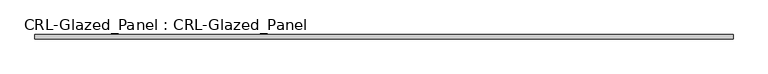
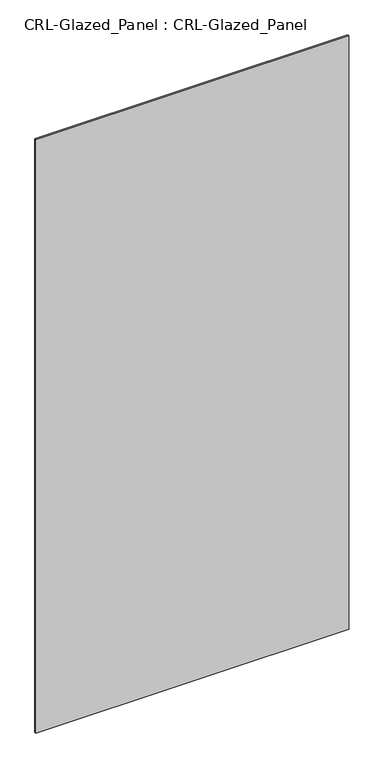
"""IFC4 building model written with IfcOpenShell, lengths in millimetres: plate geometry, CRL-Glazed_Panel : CRL-Glazed_Panel."""

from ifc_helpers import new_model, si_unit, origin, origin_with_axes, place, context, project, spatial, polyline, outline, extrude, source, transform, mapped, element, save


def crl_glazed_panel_crl_glazed_panel_f4e1b369(model_context):
    return source(origin(), model_context, "Body", "SweptSolid", [
        extrude(outline(polyline([(534.4583045, 3.1749999), (534.4583045, -3.1749999), (-534.4583045, -3.1749999), (-534.4583045, 3.1749999), (534.4583045, 3.1749999)])), origin_with_axes(), (0.0, 0.0, 1.0), 2143.1250696),
    ])


if __name__ == "__main__":
    model = new_model("IFC4")
    model_context = context("Model", 3, world=origin())
    ifc_project = project(units=[si_unit("LENGTHUNIT", "METRE", prefix="MILLI")], contexts=[model_context])
    site = spatial("IfcSite", under=ifc_project)
    building = spatial("IfcBuilding", under=site)
    placement = place(None, origin())
    crl_glazed_panel_crl_glazed_panel_shape = crl_glazed_panel_crl_glazed_panel_f4e1b369(model_context)
    element("IfcPlate", 1, ObjectType="CRL-Glazed_Panel : CRL-Glazed_Panel", at=placement, inside=building, context=model_context, shape_type="MappedRepresentation", body=[
        mapped(crl_glazed_panel_crl_glazed_panel_shape, transform((0.0, 0.0, 0.0), x_axis=(1.0, 0.0, 0.0), y_axis=(0.0, 1.0, 0.0), z_axis=(0.0, 0.0, 1.0))),
    ])
    save(model, "model.ifc")
